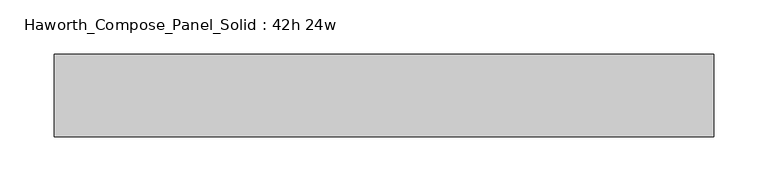
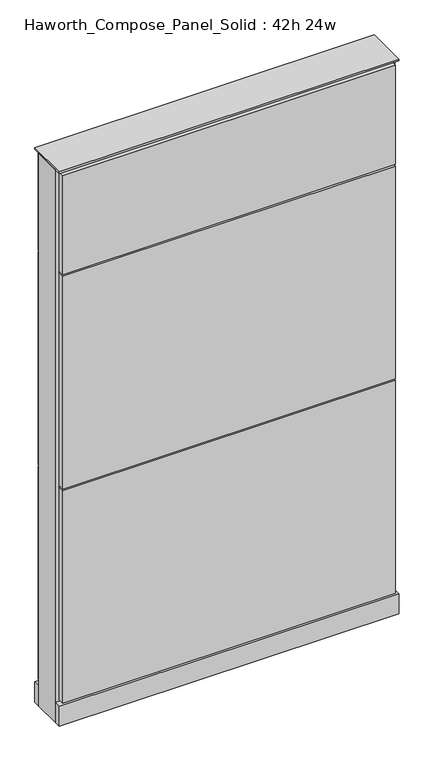
"""IFC4 building model written with IfcOpenShell, lengths in millimetres: furniture geometry, Haworth_Compose_Panel_Solid : 42h 24w."""

from ifc_helpers import new_model, si_unit, point, frame, frame_2d, origin, origin_with_axes, place, context, project, spatial, polyline, circle_curve, trimmed, segment, composite_curve, outline, extrude, source, transform, mapped, element, save


def haworth_compose_panel_solid_42h_24w_fbfd78f3(model_context):
    return source(origin(), model_context, "Body", "SweptSolid", [
        extrude(outline(composite_curve([segment(trimmed(circle_curve(frame_2d((-226.1597098, 0.0)), 12.7), [point((-238.8597098, 0.0))], [point((-213.4597098, 0.0))], False, "CARTESIAN"), True, "CONTINUOUS"), segment(trimmed(circle_curve(frame_2d((-226.1597098, 0.0)), 12.7), [point((-213.4597098, 0.0))], [point((-238.8597098, 0.0))], False, "CARTESIAN"), True, "CONTINUOUS")], self_intersect=False)), origin_with_axes(), (0.0, 0.0, 1.0), 12.7),
        extrude(outline(composite_curve([segment(trimmed(circle_curve(frame_2d((231.0402902, 0.0)), 12.7), [point((218.3402902, 0.0))], [point((243.7402902, 0.0))], False, "CARTESIAN"), True, "CONTINUOUS"), segment(trimmed(circle_curve(frame_2d((231.0402902, 0.0)), 12.7), [point((243.7402902, 0.0))], [point((218.3402902, 0.0))], False, "CARTESIAN"), True, "CONTINUOUS")], self_intersect=False)), origin_with_axes(), (0.0, 0.0, 1.0), 12.7),
        extrude(outline(polyline([(300.8902902, 38.1), (300.8902902, 25.4), (-296.0097098, 25.4), (-296.0097098, 38.1), (300.8902902, 38.1)])), frame((0.0, 0.0, 866.775), z_axis=(0.0, 0.0, 1.0), x_axis=(1.0, 0.0, 0.0)), (0.0, 0.0, 1.0), 187.325),
        extrude(outline(polyline([(300.8902902, 38.1), (300.8902902, 25.4), (-296.0097098, 25.4), (-296.0097098, 38.1), (300.8902902, 38.1)])), frame((0.0, 0.0, 460.375), z_axis=(0.0, 0.0, 1.0), x_axis=(1.0, 0.0, 0.0)), (0.0, 0.0, 1.0), 403.225),
        extrude(outline(polyline([(300.8902902, 38.1), (300.8902902, 25.4), (-296.0097098, 25.4), (-296.0097098, 38.1), (300.8902902, 38.1)])), frame((0.0, 0.0, 53.975), z_axis=(0.0, 0.0, 1.0), x_axis=(1.0, 0.0, 0.0)), (0.0, 0.0, 1.0), 403.225),
        extrude(outline(polyline([(300.8902902, -38.1), (-296.0097098, -38.1), (-296.0097098, -25.4), (300.8902902, -25.4), (300.8902902, -38.1)])), frame((0.0, 0.0, 866.775), z_axis=(0.0, 0.0, 1.0), x_axis=(1.0, 0.0, 0.0)), (0.0, 0.0, 1.0), 187.325),
        extrude(outline(polyline([(300.8902902, -38.1), (-296.0097098, -38.1), (-296.0097098, -25.4), (300.8902902, -25.4), (300.8902902, -38.1)])), frame((0.0, 0.0, 460.375), z_axis=(0.0, 0.0, 1.0), x_axis=(1.0, 0.0, 0.0)), (0.0, 0.0, 1.0), 403.225),
        extrude(outline(polyline([(300.8902902, -38.1), (-296.0097098, -38.1), (-296.0097098, -25.4), (300.8902902, -25.4), (300.8902902, -38.1)])), frame((0.0, 0.0, 53.975), z_axis=(0.0, 0.0, 1.0), x_axis=(1.0, 0.0, 0.0)), (0.0, 0.0, 1.0), 403.225),
        extrude(outline(polyline([(307.2402902, 25.4), (307.2402902, -25.4), (-302.3597098, -25.4), (-302.3597098, 25.4), (307.2402902, 25.4)])), frame((0.0, 0.0, 12.7), z_axis=(0.0, 0.0, 1.0), x_axis=(1.0, 0.0, 0.0)), (0.0, 0.0, 1.0), 1047.75),
        extrude(outline(polyline([(-302.3597098, -38.1), (-302.3597098, 38.1), (307.2402902, 38.1), (307.2402902, -38.1), (-302.3597098, -38.1)])), frame((0.0, 0.0, 12.7), z_axis=(0.0, 0.0, 1.0), x_axis=(1.0, 0.0, 0.0)), (0.0, 0.0, 1.0), 38.1),
        extrude(outline(polyline([(-302.3597098, -38.1), (-302.3597098, 38.1), (307.2402902, 38.1), (307.2402902, -38.1), (-302.3597098, -38.1)])), frame((0.0, 0.0, 1060.45), z_axis=(0.0, 0.0, 1.0), x_axis=(1.0, 0.0, 0.0)), (0.0, 0.0, 1.0), 3.175),
    ])


if __name__ == "__main__":
    model = new_model("IFC4")
    model_context = context("Model", 3, world=origin())
    ifc_project = project(units=[si_unit("LENGTHUNIT", "METRE", prefix="MILLI")], contexts=[model_context])
    site = spatial("IfcSite", under=ifc_project)
    building = spatial("IfcBuilding", under=site)
    placement = place(None, origin())
    haworth_compose_panel_solid_42h_24w_shape = haworth_compose_panel_solid_42h_24w_fbfd78f3(model_context)
    element("IfcFurniture", 1, ObjectType="Haworth_Compose_Panel_Solid : 42h 24w", at=placement, inside=building, context=model_context, shape_type="MappedRepresentation", body=[
        mapped(haworth_compose_panel_solid_42h_24w_shape, transform((0.0, 0.0, 0.0), x_axis=(1.0, 0.0, 0.0), y_axis=(0.0, 1.0, 0.0), z_axis=(0.0, 0.0, 1.0))),
    ])
    save(model, "model.ifc")
